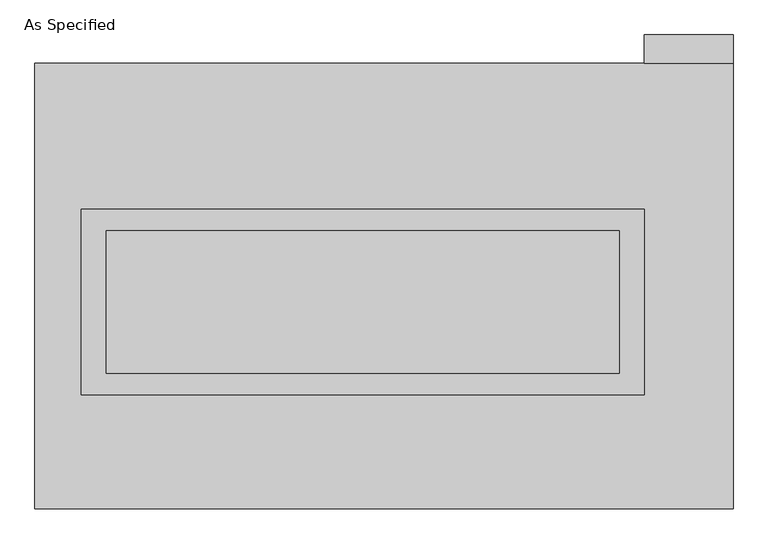
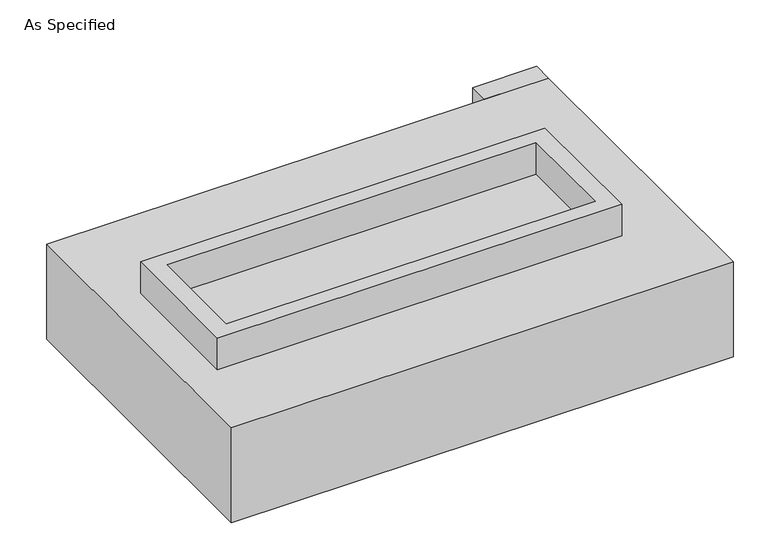
"""IFC4 building model written with IfcOpenShell, lengths in millimetres: proxy geometry, As Specified."""

from ifc_helpers import new_model, si_unit, frame, origin, place, context, project, spatial, polyline, outline, extrude, faceted_brep, source, transform, mapped, element, save


def as_specified_ccd15768(model_context):
    return source(origin(), model_context, "Body", "SolidModel", [
        extrude(outline(polyline([(1003.3, 273.05), (1003.3, -387.35), (-1003.3, -387.35), (-1003.3, 273.05), (1003.3, 273.05)]), holes=[polyline([(914.4, 196.85), (-914.4, 196.85), (-914.4, -311.15), (914.4, -311.15), (914.4, 196.85)])]), frame((0.0, 0.0, -25.4), z_axis=(0.0, 0.0, 1.0), x_axis=(1.0, 0.0, 0.0)), (0.0, 0.0, 1.0), 165.1),
        extrude(outline(polyline([(1003.3, 793.75), (1003.3, 895.35), (1320.8, 895.35), (1320.8, 793.75), (1003.3, 793.75)])), frame((0.0, 0.0, -523.875), z_axis=(0.0, 0.0, 1.0), x_axis=(1.0, 0.0, 0.0)), (0.0, 0.0, 1.0), 498.475),
        extrude(outline(polyline([(914.4, 196.85), (914.4, -311.15), (-914.4, -311.15), (-914.4, 196.85), (914.4, 196.85)])), frame((0.0, 0.0, -30.3609375), z_axis=(0.0, 0.0, 1.0), x_axis=(1.0, 0.0, 0.0)), (0.0, 0.0, 1.0), 4.9609375),
        faceted_brep([(1320.8, -793.75, -523.875), (-1168.4, -793.75, -523.875), (-1168.4, 793.75, -523.875), (1320.8, 793.75, -523.875), (1320.8, 793.75, -25.4), (-1168.4, 793.75, -25.4), (-1168.4, -793.75, -25.4), (1320.8, -793.75, -25.4), (1003.3, 273.05, -25.4), (1003.3, -387.35, -25.4), (-1003.3, -387.35, -25.4), (-1003.3, 273.05, -25.4), (1003.3, 273.05, -498.475), (-1003.3, 273.05, -498.475), (-1003.3, -387.35, -498.475), (1003.3, -387.35, -498.475)], [[[0, 1, 2, 3]], [[4, 5, 6, 7], [8, 9, 10, 11]], [[3, 2, 5, 4]], [[2, 1, 6, 5]], [[0, 3, 4, 7]], [[12, 13, 14, 15]], [[14, 13, 11, 10]], [[13, 12, 8, 11]], [[12, 15, 9, 8]], [[10, 9, 15, 14]], [[1, 0, 7, 6]]]),
    ])


if __name__ == "__main__":
    model = new_model("IFC4")
    model_context = context("Model", 3, world=origin())
    ifc_project = project(units=[si_unit("LENGTHUNIT", "METRE", prefix="MILLI")], contexts=[model_context])
    site = spatial("IfcSite", under=ifc_project)
    building = spatial("IfcBuilding", under=site)
    placement = place(None, origin())
    as_specified_shape = as_specified_ccd15768(model_context)
    element("IfcBuildingElementProxy", 1, Name="As Specified", ObjectType="As Specified", at=placement, inside=building, context=model_context, shape_type="MappedRepresentation", body=[
        mapped(as_specified_shape, transform((0.0, 0.0, 0.0), x_axis=(1.0, 0.0, 0.0), y_axis=(0.0, 1.0, 0.0), z_axis=(0.0, 0.0, 1.0))),
    ])
    save(model, "model.ifc")
